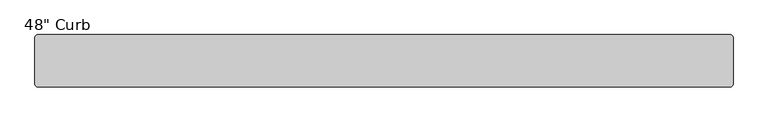
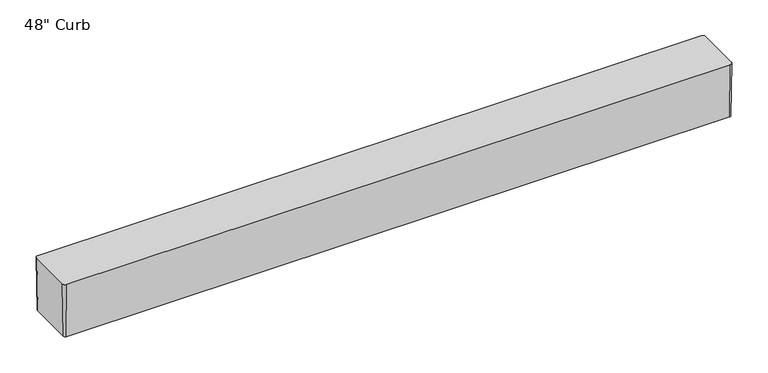
"""IFC4 building model written with IfcOpenShell, lengths in millimetres: proxy geometry."""

from ifc_helpers import new_model, si_unit, frame, origin, place, context, project, spatial, polyline, circle_curve, source, transform, mapped, element, save
from ifc_brep_helpers import plane_surface, revolved_surface, advanced_brep


def proxy_2ad7ab2d(model_context):
    return source(origin(), model_context, "Body", "AdvancedBrep", [
        advanced_brep(
        [(-755.65, 54.76875, 0.0), (755.65, 54.76875, 0.0), (759.61875, 50.8, 0.0), (759.61875, -50.8, 0.0), (755.65, -54.76875, 0.0), (-755.65, -54.76875, 0.0), (-759.61875, -50.8, 0.0), (-759.61875, 50.8, 0.0), (-506.488642, 31.75, 0.0), (-531.888642, 31.75, 0.0), (-531.888642, -31.75, 0.0), (-506.488642, -31.75, 0.0), (730.173858, 31.75, 0.0), (704.773858, 31.75, 0.0), (704.773858, -31.75, 0.0), (730.173858, -31.75, 0.0), (-755.65, 57.15, 127.0), (-762.0, 50.8, 127.0), (-762.0, -50.8, 127.0), (-755.65, -57.15, 127.0), (755.65, -57.15, 127.0), (762.0, -50.8, 127.0), (762.0, 50.8, 127.0), (755.65, 57.15, 127.0), (-506.488642, 31.75, 63.5), (-506.488642, -31.75, 63.5), (-531.888642, 31.75, 63.5), (-531.888642, -31.75, 63.5), (730.173858, 31.75, 63.5), (730.173858, -31.75, 63.5), (704.773858, 31.75, 63.5), (704.773858, -31.75, 63.5)],
        [
            (0, 1),
            (1, 2, circle_curve(frame((755.65, 50.8, 0.0), z_axis=(0.0, 0.0, -1.0), x_axis=(1.0, 4.444444812179425e-12, 0.0)), 3.96875)),
            (2, 3),
            (3, 4, circle_curve(frame((755.65, -50.8, 0.0), z_axis=(0.0, 0.0, -1.0), x_axis=(5.741185304941601e-12, -1.0, 0.0)), 3.96875)),
            (4, 5),
            (5, 6, circle_curve(frame((-755.65, -50.8, 0.0), z_axis=(0.0, 0.0, -1.0), x_axis=(-1.0, 5.506706202140778e-12, 0.0)), 3.96875)),
            (6, 7),
            (7, 0, circle_curve(frame((-755.65, 50.8, 0.0), z_axis=(0.0, 0.0, -1.0), x_axis=(6.764366844436165e-12, 1.0, 0.0)), 3.96875)),
            (8, 9),
            (9, 10),
            (10, 11),
            (11, 8),
            (12, 13),
            (13, 14),
            (14, 15),
            (15, 12),
            (16, 17, circle_curve(frame((-755.65, 50.8, 127.0), z_axis=(0.0, 0.0, 1.0), x_axis=(6.764366844436165e-12, 1.0, 0.0)), 6.35)),
            (17, 18),
            (18, 19, circle_curve(frame((-755.65, -50.8, 127.0), z_axis=(0.0, 0.0, 1.0), x_axis=(-1.0, 5.506706202140778e-12, 0.0)), 6.35)),
            (19, 20),
            (20, 21, circle_curve(frame((755.65, -50.8, 127.0), z_axis=(0.0, 0.0, 1.0), x_axis=(5.741185304941601e-12, -1.0, 0.0)), 6.35)),
            (21, 22),
            (22, 23, circle_curve(frame((755.65, 50.8, 127.0), z_axis=(0.0, 0.0, 1.0), x_axis=(1.0, 4.444444812179425e-12, 0.0)), 6.35)),
            (23, 16),
            (0, 16),
            (23, 1),
            (22, 2),
            (21, 3),
            (20, 4),
            (19, 5),
            (18, 6),
            (17, 7),
            (24, 8),
            (11, 25),
            (25, 24),
            (26, 27),
            (27, 10),
            (9, 26),
            (24, 26),
            (27, 25),
            (28, 12),
            (15, 29),
            (29, 28),
            (30, 31),
            (31, 14),
            (13, 30),
            (28, 30),
            (31, 29),
        ],
        [
            plane_surface(frame((0.0, 0.0, 0.0), z_axis=(0.0, 0.0, -1.0), x_axis=(-1.0, -8.047539731543005e-12, 0.0))),
            plane_surface(frame((0.0, 0.0, 127.0), z_axis=(0.0, 0.0, 1.0), x_axis=(-1.0, -2.4884310026399214e-12, 0.0))),
            plane_surface(frame((0.0, 57.15, 127.0), z_axis=(0.0, 0.9998242650849978, -0.018746704970319213), x_axis=(-1.0, 0.0, 0.0))),
            revolved_surface(polyline([(755.65, 54.76875000023438, 0.0), (755.65, 57.15, 127.0)]), (755.65, 50.8, -211.6666667), (0.0, 0.0, 1.0)),
            plane_surface(frame((762.0, 0.0, 127.0), z_axis=(0.9998242650849973, 0.0, -0.018746704970344502), x_axis=(0.0, 1.0, 0.0))),
            revolved_surface(polyline([(759.6187500002344, -50.8, 0.0), (762.0, -50.8, 127.0)]), (755.65, -50.8, -211.6666667), (0.0, 0.0, 1.0)),
            plane_surface(frame((0.0, -57.15, 127.0), z_axis=(0.0, -0.9998242650849969, -0.018746704970365805), x_axis=(1.0, 0.0, 0.0))),
            revolved_surface(polyline([(-755.65, -54.76875000023438, 0.0), (-755.65, -57.15, 127.0)]), (-755.65, -50.8, -211.6666667), (0.0, 0.0, 1.0)),
            plane_surface(frame((-762.0, 0.0, 127.0), z_axis=(-0.9998242650849976, 0.0, -0.01874670497032853), x_axis=(0.0, -1.0, 0.0))),
            revolved_surface(polyline([(-759.6187500002344, 50.8, 0.0), (-762.0, 50.8, 127.0)]), (-755.65, 50.8, -211.6666667), (0.0, 0.0, 1.0)),
            plane_surface(frame((-506.488642, 31.75, 63.5), z_axis=(-1.0, 0.0, 0.0), x_axis=(0.0, 0.0, -1.0))),
            plane_surface(frame((-531.888642, 31.75, 63.5), z_axis=(1.0, 0.0, 0.0), x_axis=(0.0, 0.0, 1.0))),
            plane_surface(frame((-506.488642, 31.75, 63.5), z_axis=(0.0, -1.0, 0.0), x_axis=(-1.0, 0.0, 0.0))),
            plane_surface(frame((-506.488642, -31.75, 0.0), z_axis=(0.0, 1.0, 0.0), x_axis=(-1.0, 0.0, 0.0))),
            plane_surface(frame((-506.488642, -31.75, 63.5), z_axis=(0.0, 0.0, -1.0), x_axis=(-1.0, 0.0, 0.0))),
            plane_surface(frame((730.173858, 31.75, 63.5), z_axis=(-1.0, 0.0, 0.0), x_axis=(0.0, 0.0, -1.0))),
            plane_surface(frame((704.773858, 31.75, 63.5), z_axis=(1.0, 0.0, 0.0), x_axis=(0.0, 0.0, 1.0))),
            plane_surface(frame((730.173858, 31.75, 63.5), z_axis=(0.0, -1.0, 0.0), x_axis=(-1.0, 0.0, 0.0))),
            plane_surface(frame((730.173858, -31.75, 0.0), z_axis=(0.0, 1.0, 0.0), x_axis=(-1.0, 0.0, 0.0))),
            plane_surface(frame((730.173858, -31.75, 63.5), z_axis=(0.0, 0.0, -1.0), x_axis=(-1.0, 0.0, 0.0))),
        ],
        [
            (0, [[1, 2, 3, 4, 5, 6, 7, 8], [9, 10, 11, 12], [13, 14, 15, 16]]),
            (1, [[17, 18, 19, 20, 21, 22, 23, 24]]),
            (2, [[25, -24, 26, -1]]),
            (3, [[-26, -23, 27, -2]]),
            (4, [[-27, -22, 28, -3]]),
            (5, [[-28, -21, 29, -4]]),
            (6, [[-29, -20, 30, -5]]),
            (7, [[-30, -19, 31, -6]]),
            (8, [[-31, -18, 32, -7]]),
            (9, [[-32, -17, -25, -8]]),
            (10, [[33, -12, 34, 35]]),
            (11, [[36, 37, -10, 38]]),
            (12, [[39, -38, -9, -33]]),
            (13, [[-11, -37, 40, -34]]),
            (14, [[-40, -36, -39, -35]]),
            (15, [[41, -16, 42, 43]]),
            (16, [[44, 45, -14, 46]]),
            (17, [[47, -46, -13, -41]]),
            (18, [[-15, -45, 48, -42]]),
            (19, [[-48, -44, -47, -43]]),
        ],
    ),
    ])


if __name__ == "__main__":
    model = new_model("IFC4")
    model_context = context("Model", 3, world=origin())
    ifc_project = project(units=[si_unit("LENGTHUNIT", "METRE", prefix="MILLI")], contexts=[model_context])
    site = spatial("IfcSite", under=ifc_project)
    building = spatial("IfcBuilding", under=site)
    placement = place(None, origin())
    proxy_shape = proxy_2ad7ab2d(model_context)
    element("IfcBuildingElementProxy", 1, Name="48\" Curb", ObjectType="48\" Curb", at=placement, inside=building, context=model_context, shape_type="MappedRepresentation", body=[
        mapped(proxy_shape, transform((0.0, 0.0, 0.0), x_axis=(1.0, 0.0, 0.0), y_axis=(0.0, 1.0, 0.0), z_axis=(0.0, 0.0, 1.0))),
    ])
    save(model, "model.ifc")
